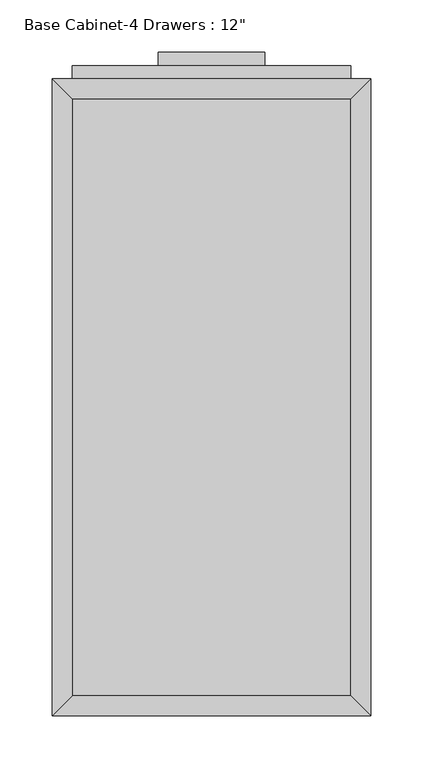
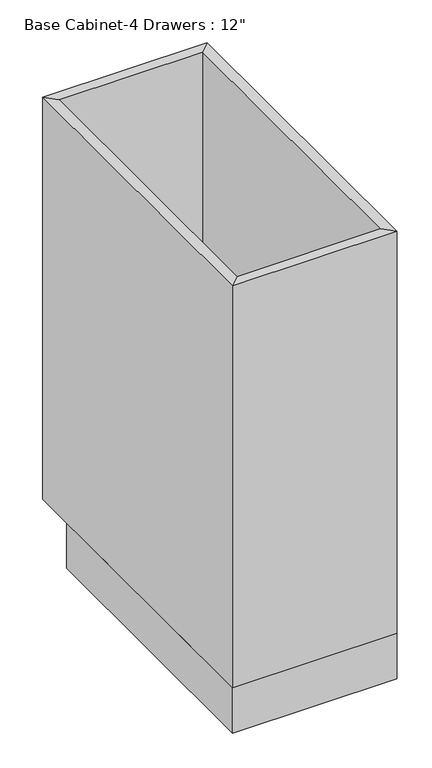
"""IFC4 building model written with IfcOpenShell, lengths in millimetres: furniture geometry."""

import ifcopenshell
import ifcopenshell.guid

model = None  # the IFC model being written
_history = None  # IfcOwnerHistory: only IFC2X3 demands one
_inside = {}  # id of a spatial element -> (the spatial element, [elements in it])
_under = {}  # id of a project, library or spatial element -> (it, [spatial elements below it])
_declared = {}  # id of a project -> (the project, [libraries it declares])
_typed = {}  # id of a type object -> (the type object, [elements of that type])
_made_of = {}  # id of a material, layer set ... -> (it, [elements and type objects made of it])


def new_model(schema):
    """Start an empty IFC model of exactly this schema.

    Asked for "IFC4X3", IfcOpenShell would pick the latest addendum, in which some entities
    have other attributes; the version numbers below select the first issue.
    IFC2X3 requires an IfcOwnerHistory on every rooted entity: one is made here for all.
    """
    global model, _history
    if schema == "IFC4X3":
        model = ifcopenshell.file(schema_version=(4, 3, 0, 0))
    else:
        model = ifcopenshell.file(schema=schema)
    _inside.clear()
    _under.clear()
    _declared.clear()
    _typed.clear()
    _made_of.clear()
    _history = None
    if model.schema == "IFC2X3":
        org = make("IfcOrganization", Name="unknown")
        user = make(
            "IfcPersonAndOrganization",
            ThePerson=make("IfcPerson", FamilyName="unknown"),
            TheOrganization=org,
        )
        app = make(
            "IfcApplication",
            ApplicationDeveloper=org,
            Version="unknown",
            ApplicationFullName="unknown",
            ApplicationIdentifier="unknown",
        )
        _history = make(
            "IfcOwnerHistory",
            OwningUser=user,
            OwningApplication=app,
            ChangeAction="ADDED",
            CreationDate=0,
        )
    return model


def make(cls, **values):
    """One entity of the class cls with the attributes given. An attribute that is None is left unset."""
    return model.create_entity(
        cls, **{name: value for name, value in values.items() if value is not None}
    )


def rooted(cls, **values):
    """An entity with a GlobalId (a new one), such as an element, a storey or a relation."""
    return make(cls, GlobalId=ifcopenshell.guid.new(), OwnerHistory=_history, **values)


def si_unit(unit_type, name, prefix=None):
    """IfcSIUnit, for example si_unit("LENGTHUNIT", "METRE", prefix="MILLI")."""
    return make("IfcSIUnit", UnitType=unit_type, Prefix=prefix, Name=name)


def assignment(units):
    """IfcUnitAssignment: the units of a project."""
    return None if units is None else make("IfcUnitAssignment", Units=units)


def point(xyz):
    """IfcCartesianPoint."""
    return None if xyz is None else make("IfcCartesianPoint", Coordinates=xyz)


def direction(xyz):
    """IfcDirection."""
    return None if xyz is None else make("IfcDirection", DirectionRatios=xyz)


def frame(location, z_axis=None, x_axis=None):
    """IfcAxis2Placement3D, a coordinate frame: its origin and axes. An axis left out is left unset."""
    return make(
        "IfcAxis2Placement3D",
        Location=point(location),
        Axis=direction(z_axis),
        RefDirection=direction(x_axis),
    )


def origin():
    """The frame at (0, 0, 0) with its axes left unset."""
    return frame((0.0, 0.0, 0.0))


def origin_with_axes():
    """The frame at (0, 0, 0) with the z axis (0, 0, 1) and the x axis (1, 0, 0) written out."""
    return frame((0.0, 0.0, 0.0), z_axis=(0.0, 0.0, 1.0), x_axis=(1.0, 0.0, 0.0))


def place(relative_to, where):
    """IfcLocalPlacement: puts the frame where relative to a parent placement (None: the world)."""
    return make(
        "IfcLocalPlacement", PlacementRelTo=relative_to, RelativePlacement=where
    )


def context(
    kind, dimensions, precision=None, world=None, true_north=None, identifier=None
):
    """IfcGeometricRepresentationContext, for example the 3D "Model" context."""
    return make(
        "IfcGeometricRepresentationContext",
        ContextIdentifier=identifier,
        ContextType=kind,
        CoordinateSpaceDimension=dimensions,
        Precision=precision,
        WorldCoordinateSystem=world,
        TrueNorth=true_north,
    )


def project(units=None, contexts=None):
    """IfcProject with its units and contexts."""
    return rooted(
        "IfcProject",
        Name="project",
        RepresentationContexts=contexts,
        UnitsInContext=assignment(units),
    )


def spatial(cls, under=None, at=None, **own):
    """A site, building, storey or space (cls), placed at a placement, below another one or the project."""
    s = rooted(cls, ObjectPlacement=at, **own)
    if under is not None:
        _under.setdefault(under.id(), (under, []))[1].append(s)
    return s


def polyline(points):
    """IfcPolyline through the points."""
    return make("IfcPolyline", Points=[point(p) for p in points])


def outline(outer, holes=None, kind="AREA"):
    """IfcArbitraryClosedProfileDef: a profile drawn as a closed curve; with holes, ...WithVoids."""
    if holes is None:
        return make("IfcArbitraryClosedProfileDef", ProfileType=kind, OuterCurve=outer)
    return make(
        "IfcArbitraryProfileDefWithVoids",
        ProfileType=kind,
        OuterCurve=outer,
        InnerCurves=holes,
    )


def extrude(swept, where, along, depth):
    """IfcExtrudedAreaSolid: the profile swept, set in the frame where, extruded along a direction by depth."""
    return make(
        "IfcExtrudedAreaSolid",
        SweptArea=swept,
        Position=where,
        ExtrudedDirection=direction(along),
        Depth=depth,
    )


def faces_of(points, faces, orient=None, outer=None):
    """IfcFace entities. A face is a list of loops; a loop is a list of indices into points, from 0.

    orient and outer hold one flag for each loop. By default every Orientation is true, the
    first loop of a face is its IfcFaceOuterBound and the others are IfcFaceBound.
    """
    made = []
    for i, loops in enumerate(faces):
        bounds = []
        for j, loop in enumerate(loops):
            is_outer = j == 0 if outer is None else outer[i][j]
            bounds.append(
                make(
                    "IfcFaceOuterBound" if is_outer else "IfcFaceBound",
                    Bound=make("IfcPolyLoop", Polygon=[points[k] for k in loop]),
                    Orientation=True if orient is None else orient[i][j],
                )
            )
        made.append(make("IfcFace", Bounds=bounds))
    return made


def faceted_brep(points, faces, orient=None, outer=None, voids=None):
    """IfcFacetedBrep: a solid bounded by flat faces; with voids (closed shells), ...WithVoids."""
    shared = [point(p) for p in points]
    hull = make("IfcClosedShell", CfsFaces=faces_of(shared, faces, orient, outer))
    if voids is None:
        return make("IfcFacetedBrep", Outer=hull)
    return make(
        "IfcFacetedBrepWithVoids",
        Outer=hull,
        Voids=[
            make(cls, CfsFaces=faces_of(shared, fs, o, b)) for cls, fs, o, b in voids
        ],
    )


def shape(context_of_items, identifier, shape_type, items):
    """IfcShapeRepresentation: the items that make up one representation, for example the "Body"."""
    return make(
        "IfcShapeRepresentation",
        ContextOfItems=context_of_items,
        RepresentationIdentifier=identifier,
        RepresentationType=shape_type,
        Items=items,
    )


def source(mapping_origin, context_of_items, identifier, shape_type, items):
    """IfcRepresentationMap: a shape defined once, which mapped items show again and again."""
    return make(
        "IfcRepresentationMap",
        MappingOrigin=mapping_origin,
        MappedRepresentation=shape(context_of_items, identifier, shape_type, items),
    )


def transform(
    local_origin,
    x_axis=None,
    y_axis=None,
    z_axis=None,
    scale=None,
    scale2=None,
    scale3=None,
    uniform=True,
):
    """IfcCartesianTransformationOperator3D, or its non-uniform kind. x_axis, y_axis, z_axis: its Axis1, 2, 3."""
    if uniform:
        return make(
            "IfcCartesianTransformationOperator3D",
            Axis1=direction(x_axis),
            Axis2=direction(y_axis),
            LocalOrigin=point(local_origin),
            Scale=scale,
            Axis3=direction(z_axis),
        )
    return make(
        "IfcCartesianTransformationOperator3DnonUniform",
        Axis1=direction(x_axis),
        Axis2=direction(y_axis),
        LocalOrigin=point(local_origin),
        Scale=scale,
        Axis3=direction(z_axis),
        Scale2=scale2,
        Scale3=scale3,
    )


def mapped(mapping_source, mapping_target):
    """IfcMappedItem: shows the shape of a source again, moved by a transform."""
    return make(
        "IfcMappedItem", MappingSource=mapping_source, MappingTarget=mapping_target
    )


def made_of(thing, what):
    """Note that an element or type object is made of a material, layer set ...; save() writes the relation."""
    if what is not None:
        _made_of.setdefault(what.id(), (what, []))[1].append(thing)
    return thing


def element(
    cls,
    number,
    at=None,
    inside=None,
    cuts=None,
    type_object=None,
    material=None,
    context=None,
    identifier="Body",
    shape_type=None,
    held_by="IfcProductDefinitionShape",
    body=None,
    shapes=None,
    **own,
):
    """One element of the class cls, such as IfcWall. Its Tag is "e" and its number.

    at: its placement. inside: the storey or other place that contains it. cuts: it is an
    opening in that element (IfcRelVoidsElement). A single representation is given by context,
    identifier, shape_type and body (its items); several are given by shapes. held_by: the class
    of the entity that holds the representations. save() writes the other relations.
    """
    e = rooted(cls, Tag="e%d" % number, ObjectPlacement=at, **own)
    if body is not None:
        shapes = [shape(context, identifier, shape_type, body)]
    if shapes is not None:
        e.Representation = make(held_by, Representations=shapes)
    if inside is not None:
        _inside.setdefault(inside.id(), (inside, []))[1].append(e)
    if cuts is not None:
        rooted(
            "IfcRelVoidsElement", RelatingBuildingElement=cuts, RelatedOpeningElement=e
        )
    if type_object is not None:
        _typed.setdefault(type_object.id(), (type_object, []))[1].append(e)
    return made_of(e, material)


def aggregate(whole, parts):
    """IfcRelAggregates: a whole, such as a stair, and the parts it consists of."""
    return rooted("IfcRelAggregates", RelatingObject=whole, RelatedObjects=parts)


def save(model, path):
    """Write the relations noted so far, then the file.

    IfcRelAggregates (storeys below a building ...), IfcRelContainedInSpatialStructure (elements
    in a storey), IfcRelDefinesByType, IfcRelAssociatesMaterial and IfcRelDeclares: one each for
    every whole, place, type object, material and project.
    """
    for whole, parts in _under.values():
        aggregate(whole, parts)
    for where, things in _inside.values():
        rooted(
            "IfcRelContainedInSpatialStructure",
            RelatedElements=things,
            RelatingStructure=where,
        )
    for kind, things in _typed.values():
        rooted("IfcRelDefinesByType", RelatedObjects=things, RelatingType=kind)
    for what, things in _made_of.values():
        rooted("IfcRelAssociatesMaterial", RelatedObjects=things, RelatingMaterial=what)
    for by, libraries in _declared.values():
        rooted("IfcRelDeclares", RelatingContext=by, RelatedDefinitions=libraries)
    model.write(path)


def furniture_f31e22e3(model_context):
    return source(origin(), model_context, "Body", "SolidModel", [
        extrude(outline(polyline([(69.5377049, 635.0), (69.5377049, 622.3), (-32.0622951, 622.3), (-32.0622951, 635.0), (69.5377049, 635.0)])), frame((0.0, 0.0, 819.15), z_axis=(0.0, 0.0, 1.0), x_axis=(1.0, 0.0, 0.0)), (0.0, 0.0, 1.0), 12.7),
        extrude(outline(polyline([(69.5377049, 635.0), (69.5377049, 622.3), (-32.0622951, 622.3), (-32.0622951, 635.0), (69.5377049, 635.0)])), frame((0.0, 0.0, 698.5), z_axis=(0.0, 0.0, 1.0), x_axis=(1.0, 0.0, 0.0)), (0.0, 0.0, 1.0), 12.7),
        extrude(outline(polyline([(69.5377049, 635.0), (69.5377049, 622.3), (-32.0622951, 622.3), (-32.0622951, 635.0), (69.5377049, 635.0)])), frame((0.0, 0.0, 546.1), z_axis=(0.0, 0.0, 1.0), x_axis=(1.0, 0.0, 0.0)), (0.0, 0.0, 1.0), 12.7),
        extrude(outline(polyline([(69.5377049, 635.0), (69.5377049, 622.3), (-32.0622951, 622.3), (-32.0622951, 635.0), (69.5377049, 635.0)])), frame((0.0, 0.0, 393.7), z_axis=(0.0, 0.0, 1.0), x_axis=(1.0, 0.0, 0.0)), (0.0, 0.0, 1.0), 12.7),
        extrude(outline(polyline([(152.0877049, 622.3), (152.0877049, 609.6), (-114.6122951, 609.6), (-114.6122951, 622.3), (152.0877049, 622.3)])), frame((0.0, 0.0, 749.3), z_axis=(0.0, 0.0, 1.0), x_axis=(1.0, 0.0, 0.0)), (0.0, 0.0, 1.0), 107.95),
        extrude(outline(polyline([(152.0877049, 622.3), (152.0877049, 609.6), (-114.6122951, 609.6), (-114.6122951, 622.3), (152.0877049, 622.3)])), frame((0.0, 0.0, 596.9), z_axis=(0.0, 0.0, 1.0), x_axis=(1.0, 0.0, 0.0)), (0.0, 0.0, 1.0), 139.7),
        extrude(outline(polyline([(152.0877049, 622.3), (152.0877049, 609.6), (-114.6122951, 609.6), (-114.6122951, 622.3), (152.0877049, 622.3)])), frame((0.0, 0.0, 444.5), z_axis=(0.0, 0.0, 1.0), x_axis=(1.0, 0.0, 0.0)), (0.0, 0.0, 1.0), 139.7),
        extrude(outline(polyline([(152.0877049, 622.3), (152.0877049, 609.6), (-114.6122951, 609.6), (-114.6122951, 622.3), (152.0877049, 622.3)])), frame((0.0, 0.0, 120.65), z_axis=(0.0, 0.0, 1.0), x_axis=(1.0, 0.0, 0.0)), (0.0, 0.0, 1.0), 311.15),
        extrude(outline(polyline([(152.0877049, 19.05), (-114.6122951, 19.05), (-114.6122951, 590.55), (152.0877049, 590.55), (152.0877049, 19.05)])), frame((0.0, 0.0, 88.9), z_axis=(0.0, 0.0, 1.0), x_axis=(1.0, 0.0, 0.0)), (0.0, 0.0, 1.0), 19.05),
        faceted_brep([(152.0877049, 590.55, 876.3), (-114.6122951, 590.55, 876.3), (-114.6122951, 590.55, 88.9), (152.0877049, 590.55, 88.9), (171.1377049, 609.6, 876.3), (-133.6622951, 609.6, 876.3), (171.1377049, 609.6, 88.9), (-133.6622951, 609.6, 88.9), (-114.6122951, 19.05, 876.3), (-114.6122951, 19.05, 88.9), (-133.6622951, 0.0, 876.3), (-133.6622951, 0.0, 88.9), (152.0877049, 19.05, 876.3), (152.0877049, 19.05, 88.9), (171.1377049, 0.0, 876.3), (171.1377049, 0.0, 88.9)], [[[0, 1, 2, 3]], [[4, 5, 1, 0]], [[6, 7, 5, 4]], [[3, 2, 7, 6]], [[1, 8, 9, 2]], [[5, 10, 8, 1]], [[7, 11, 10, 5]], [[2, 9, 11, 7]], [[8, 12, 13, 9]], [[10, 14, 12, 8]], [[11, 15, 14, 10]], [[9, 13, 15, 11]], [[12, 0, 3, 13]], [[14, 4, 0, 12]], [[15, 6, 4, 14]], [[13, 3, 6, 15]]]),
        extrude(outline(polyline([(171.1377049, 0.0), (-133.6622951, 0.0), (-133.6622951, 533.4), (171.1377049, 533.4), (171.1377049, 0.0)])), origin_with_axes(), (0.0, 0.0, 1.0), 88.9),
    ])


if __name__ == "__main__":
    model = new_model("IFC4")
    model_context = context("Model", 3, world=origin())
    ifc_project = project(units=[si_unit("LENGTHUNIT", "METRE", prefix="MILLI")], contexts=[model_context])
    site = spatial("IfcSite", under=ifc_project)
    building = spatial("IfcBuilding", under=site)
    placement = place(None, origin())
    furniture_shape = furniture_f31e22e3(model_context)
    element("IfcFurniture", 1, ObjectType="Base Cabinet-4 Drawers : 12\"", at=placement, inside=building, context=model_context, shape_type="MappedRepresentation", body=[
        mapped(furniture_shape, transform((0.0, 0.0, 0.0), x_axis=(1.0, 0.0, 0.0), y_axis=(0.0, 1.0, 0.0), z_axis=(0.0, 0.0, 1.0))),
    ])
    save(model, "model.ifc")
